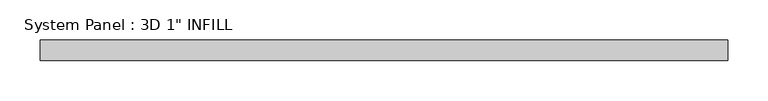
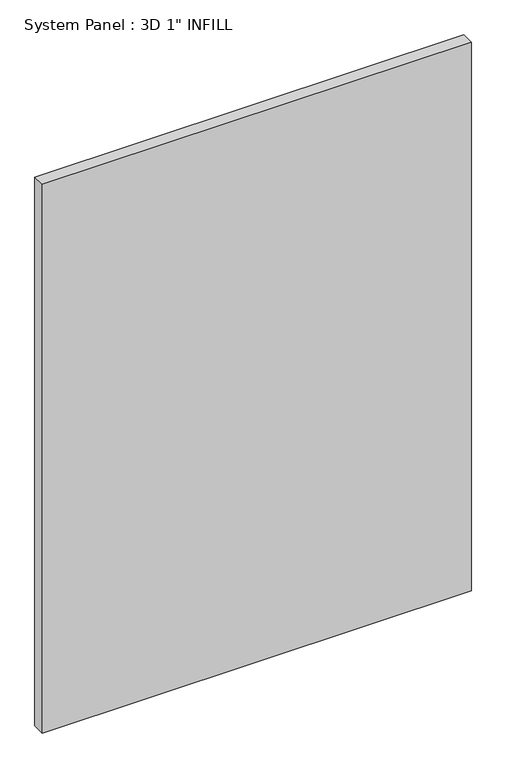
"""IFC4 building model written with IfcOpenShell, lengths in millimetres: plate geometry."""

from ifc_helpers import new_model, si_unit, origin, origin_with_axes, place, context, project, spatial, polyline, outline, extrude, source, transform, mapped, element, save


def plate_7f418e42(model_context):
    return source(origin(), model_context, "Body", "SweptSolid", [
        extrude(outline(polyline([(425.5396538, -12.7), (-425.5396538, -12.7), (-425.5396538, 12.7), (425.5396538, 12.7), (425.5396538, -12.7)])), origin_with_axes(), (0.0, 0.0, 1.0), 1150.1907666),
    ])


if __name__ == "__main__":
    model = new_model("IFC4")
    model_context = context("Model", 3, world=origin())
    ifc_project = project(units=[si_unit("LENGTHUNIT", "METRE", prefix="MILLI")], contexts=[model_context])
    site = spatial("IfcSite", under=ifc_project)
    building = spatial("IfcBuilding", under=site)
    placement = place(None, origin())
    plate_shape = plate_7f418e42(model_context)
    element("IfcPlate", 1, ObjectType="System Panel : 3D 1\" INFILL", at=placement, inside=building, context=model_context, shape_type="MappedRepresentation", body=[
        mapped(plate_shape, transform((0.0, 0.0, 0.0), x_axis=(1.0, 0.0, 0.0), y_axis=(0.0, 1.0, 0.0), z_axis=(0.0, 0.0, 1.0))),
    ])
    save(model, "model.ifc")
